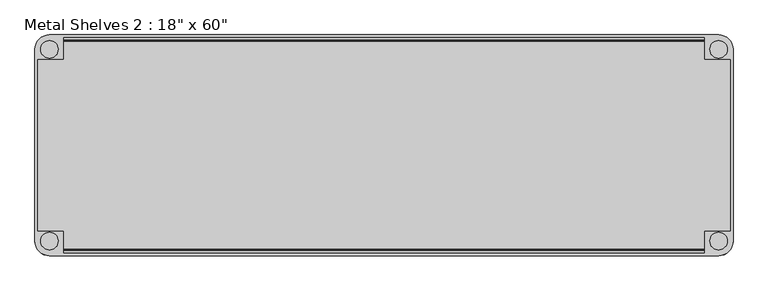
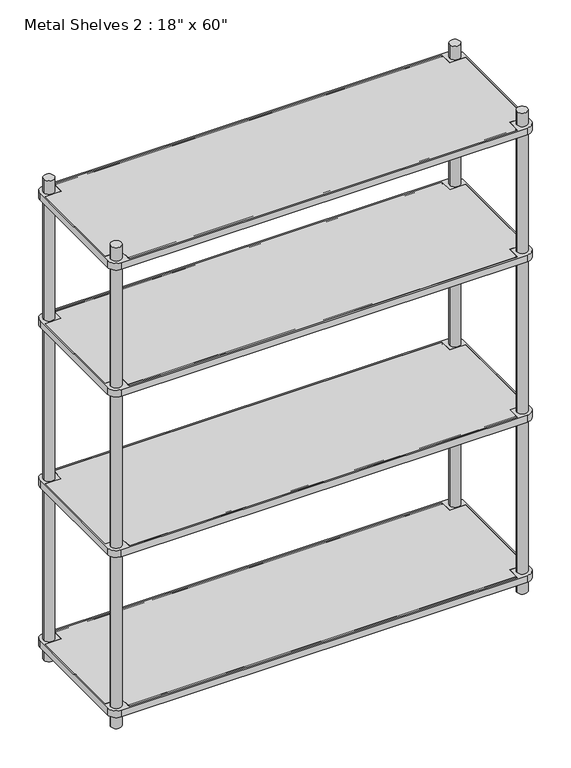
"""IFC4 building model written with IfcOpenShell, lengths in millimetres: furniture geometry."""

from ifc_helpers import new_model, si_unit, point, frame, frame_2d, origin, origin_with_axes, place, context, project, spatial, polyline, circle_curve, trimmed, segment, composite_curve, outline, extrude, source, transform, mapped, element, save


def furniture_a7e57f11(model_context):
    return source(origin(), model_context, "Body", "SweptSolid", [
        extrude(outline(polyline([(-698.5, 234.95), (698.5, 234.95), (698.5, 187.325), (755.65, 187.325), (755.65, -187.325), (698.5, -187.325), (698.5, -234.95), (-698.5, -234.95), (-698.5, -187.325), (-755.65, -187.325), (-755.65, 187.325), (-698.5, 187.325), (-698.5, 234.95)])), frame((0.0, 0.0, 50.8), z_axis=(0.0, 0.0, 1.0), x_axis=(1.0, 0.0, 0.0)), (0.0, 0.0, 1.0), 25.4),
        extrude(outline(polyline([(-698.5, 234.95), (698.5, 234.95), (698.5, 187.325), (755.65, 187.325), (755.65, -187.325), (698.5, -187.325), (698.5, -234.95), (-698.5, -234.95), (-698.5, -187.325), (-755.65, -187.325), (-755.65, 187.325), (-698.5, 187.325), (-698.5, 234.95)])), frame((0.0, 0.0, 660.4), z_axis=(0.0, 0.0, 1.0), x_axis=(1.0, 0.0, 0.0)), (0.0, 0.0, 1.0), 25.4),
        extrude(outline(polyline([(-698.5, 234.95), (698.5, 234.95), (698.5, 187.325), (755.65, 187.325), (755.65, -187.325), (698.5, -187.325), (698.5, -234.95), (-698.5, -234.95), (-698.5, -187.325), (-755.65, -187.325), (-755.65, 187.325), (-698.5, 187.325), (-698.5, 234.95)])), frame((0.0, 0.0, 1270.0), z_axis=(0.0, 0.0, 1.0), x_axis=(1.0, 0.0, 0.0)), (0.0, 0.0, 1.0), 25.4),
        extrude(outline(polyline([(-755.65, 187.325), (-698.5, 187.325), (-698.5, 234.95), (698.5, 234.95), (698.5, 187.325), (755.65, 187.325), (755.65, -187.325), (698.5, -187.325), (698.5, -234.95), (-698.5, -234.95), (-698.5, -187.325), (-755.65, -187.325), (-755.65, 187.325)])), frame((0.0, 0.0, 1752.6), z_axis=(0.0, 0.0, 1.0), x_axis=(1.0, 0.0, 0.0)), (0.0, 0.0, 1.0), 25.4),
        extrude(outline(composite_curve([segment(trimmed(circle_curve(frame_2d((730.25, -209.55)), 31.75), [point((762.0, -209.55))], [point((730.25, -241.3))], False, "CARTESIAN"), True, "CONTINUOUS"), segment(polyline([(730.25, -241.3), (-730.25, -241.3)]), True, "CONTINUOUS"), segment(trimmed(circle_curve(frame_2d((-730.25, -209.55)), 31.75), [point((-730.25, -241.3))], [point((-762.0, -209.55))], False, "CARTESIAN"), True, "CONTINUOUS"), segment(polyline([(-762.0, -209.55), (-762.0, 209.55)]), True, "CONTINUOUS"), segment(trimmed(circle_curve(frame_2d((-730.25, 209.55)), 31.75), [point((-762.0, 209.55))], [point((-730.25, 241.3))], False, "CARTESIAN"), True, "CONTINUOUS"), segment(polyline([(-730.25, 241.3), (730.25, 241.3)]), True, "CONTINUOUS"), segment(trimmed(circle_curve(frame_2d((730.25, 209.55)), 31.75), [point((730.25, 241.3))], [point((762.0, 209.55))], False, "CARTESIAN"), True, "CONTINUOUS"), segment(polyline([(762.0, 209.55), (762.0, -209.55)]), True, "CONTINUOUS")], self_intersect=False), holes=[polyline([(-698.5, -234.95), (698.5, -234.95), (698.5, -187.325), (755.65, -187.325), (755.65, 187.325), (698.5, 187.325), (698.5, 234.95), (-698.5, 234.95), (-698.5, 187.325), (-755.65, 187.325), (-755.65, -187.325), (-698.5, -187.325), (-698.5, -234.95)]), composite_curve([segment(trimmed(circle_curve(frame_2d((730.25, -209.55)), 19.05), [point((711.2, -209.55))], [point((749.3, -209.55))], True, "CARTESIAN"), True, "CONTINUOUS"), segment(trimmed(circle_curve(frame_2d((730.25, -209.55)), 19.05), [point((749.3, -209.55))], [point((711.2, -209.55))], True, "CARTESIAN"), True, "CONTINUOUS")], self_intersect=False), composite_curve([segment(trimmed(circle_curve(frame_2d((730.25, 209.55)), 19.05), [point((711.2, 209.55))], [point((749.3, 209.55))], True, "CARTESIAN"), True, "CONTINUOUS"), segment(trimmed(circle_curve(frame_2d((730.25, 209.55)), 19.05), [point((749.3, 209.55))], [point((711.2, 209.55))], True, "CARTESIAN"), True, "CONTINUOUS")], self_intersect=False), composite_curve([segment(trimmed(circle_curve(frame_2d((-730.25, 209.55)), 19.05), [point((-711.2, 209.55))], [point((-749.3, 209.55))], True, "CARTESIAN"), True, "CONTINUOUS"), segment(trimmed(circle_curve(frame_2d((-730.25, 209.55)), 19.05), [point((-749.3, 209.55))], [point((-711.2, 209.55))], True, "CARTESIAN"), True, "CONTINUOUS")], self_intersect=False), composite_curve([segment(trimmed(circle_curve(frame_2d((-730.25, -209.55)), 19.05), [point((-711.2, -209.55))], [point((-749.3, -209.55))], True, "CARTESIAN"), True, "CONTINUOUS"), segment(trimmed(circle_curve(frame_2d((-730.25, -209.55)), 19.05), [point((-749.3, -209.55))], [point((-711.2, -209.55))], True, "CARTESIAN"), True, "CONTINUOUS")], self_intersect=False)]), frame((0.0, 0.0, 660.4), z_axis=(0.0, 0.0, 1.0), x_axis=(1.0, 0.0, 0.0)), (0.0, 0.0, 1.0), 25.4),
        extrude(outline(composite_curve([segment(trimmed(circle_curve(frame_2d((-730.25, -209.55)), 31.75), [point((-730.25, -241.3))], [point((-762.0, -209.55))], False, "CARTESIAN"), True, "CONTINUOUS"), segment(polyline([(-762.0, -209.55), (-762.0, 209.55)]), True, "CONTINUOUS"), segment(trimmed(circle_curve(frame_2d((-730.25, 209.55)), 31.75), [point((-762.0, 209.55))], [point((-730.25, 241.3))], False, "CARTESIAN"), True, "CONTINUOUS"), segment(polyline([(-730.25, 241.3), (730.25, 241.3)]), True, "CONTINUOUS"), segment(trimmed(circle_curve(frame_2d((730.25, 209.55)), 31.75), [point((730.25, 241.3))], [point((762.0, 209.55))], False, "CARTESIAN"), True, "CONTINUOUS"), segment(polyline([(762.0, 209.55), (762.0, -209.55)]), True, "CONTINUOUS"), segment(trimmed(circle_curve(frame_2d((730.25, -209.55)), 31.75), [point((762.0, -209.55))], [point((730.25, -241.3))], False, "CARTESIAN"), True, "CONTINUOUS"), segment(polyline([(730.25, -241.3), (-730.25, -241.3)]), True, "CONTINUOUS")], self_intersect=False), holes=[composite_curve([segment(trimmed(circle_curve(frame_2d((-730.25, -209.55)), 19.05), [point((-711.2, -209.55))], [point((-749.3, -209.55))], True, "CARTESIAN"), True, "CONTINUOUS"), segment(trimmed(circle_curve(frame_2d((-730.25, -209.55)), 19.05), [point((-749.3, -209.55))], [point((-711.2, -209.55))], True, "CARTESIAN"), True, "CONTINUOUS")], self_intersect=False), composite_curve([segment(trimmed(circle_curve(frame_2d((-730.25, 209.55)), 19.05), [point((-711.2, 209.55))], [point((-749.3, 209.55))], True, "CARTESIAN"), True, "CONTINUOUS"), segment(trimmed(circle_curve(frame_2d((-730.25, 209.55)), 19.05), [point((-749.3, 209.55))], [point((-711.2, 209.55))], True, "CARTESIAN"), True, "CONTINUOUS")], self_intersect=False), composite_curve([segment(trimmed(circle_curve(frame_2d((730.25, -209.55)), 19.05), [point((711.2, -209.55))], [point((749.3, -209.55))], True, "CARTESIAN"), True, "CONTINUOUS"), segment(trimmed(circle_curve(frame_2d((730.25, -209.55)), 19.05), [point((749.3, -209.55))], [point((711.2, -209.55))], True, "CARTESIAN"), True, "CONTINUOUS")], self_intersect=False), composite_curve([segment(trimmed(circle_curve(frame_2d((730.25, 209.55)), 19.05), [point((711.2, 209.55))], [point((749.3, 209.55))], True, "CARTESIAN"), True, "CONTINUOUS"), segment(trimmed(circle_curve(frame_2d((730.25, 209.55)), 19.05), [point((749.3, 209.55))], [point((711.2, 209.55))], True, "CARTESIAN"), True, "CONTINUOUS")], self_intersect=False), polyline([(-698.5, -234.95), (698.5, -234.95), (698.5, -187.325), (755.65, -187.325), (755.65, 187.325), (698.5, 187.325), (698.5, 234.95), (-698.5, 234.95), (-698.5, 187.325), (-755.65, 187.325), (-755.65, -187.325), (-698.5, -187.325), (-698.5, -234.95)])]), frame((0.0, 0.0, 50.8), z_axis=(0.0, 0.0, 1.0), x_axis=(1.0, 0.0, 0.0)), (0.0, 0.0, 1.0), 25.4),
        extrude(outline(composite_curve([segment(trimmed(circle_curve(frame_2d((-730.25, 209.55)), 31.75), [point((-762.0, 209.55))], [point((-730.25, 241.3))], False, "CARTESIAN"), True, "CONTINUOUS"), segment(polyline([(-730.25, 241.3), (730.25, 241.3)]), True, "CONTINUOUS"), segment(trimmed(circle_curve(frame_2d((730.25, 209.55)), 31.75), [point((730.25, 241.3))], [point((762.0, 209.55))], False, "CARTESIAN"), True, "CONTINUOUS"), segment(polyline([(762.0, 209.55), (762.0, -209.55)]), True, "CONTINUOUS"), segment(trimmed(circle_curve(frame_2d((730.25, -209.55)), 31.75), [point((762.0, -209.55))], [point((730.25, -241.3))], False, "CARTESIAN"), True, "CONTINUOUS"), segment(polyline([(730.25, -241.3), (-730.25, -241.3)]), True, "CONTINUOUS"), segment(trimmed(circle_curve(frame_2d((-730.25, -209.55)), 31.75), [point((-730.25, -241.3))], [point((-762.0, -209.55))], False, "CARTESIAN"), True, "CONTINUOUS"), segment(polyline([(-762.0, -209.55), (-762.0, 209.55)]), True, "CONTINUOUS")], self_intersect=False), holes=[composite_curve([segment(trimmed(circle_curve(frame_2d((-730.25, 209.55)), 19.05), [point((-711.2, 209.55))], [point((-749.3, 209.55))], True, "CARTESIAN"), True, "CONTINUOUS"), segment(trimmed(circle_curve(frame_2d((-730.25, 209.55)), 19.05), [point((-749.3, 209.55))], [point((-711.2, 209.55))], True, "CARTESIAN"), True, "CONTINUOUS")], self_intersect=False), composite_curve([segment(trimmed(circle_curve(frame_2d((-730.25, -209.55)), 19.05), [point((-711.2, -209.55))], [point((-749.3, -209.55))], True, "CARTESIAN"), True, "CONTINUOUS"), segment(trimmed(circle_curve(frame_2d((-730.25, -209.55)), 19.05), [point((-749.3, -209.55))], [point((-711.2, -209.55))], True, "CARTESIAN"), True, "CONTINUOUS")], self_intersect=False), composite_curve([segment(trimmed(circle_curve(frame_2d((730.25, -209.55)), 19.05), [point((711.2, -209.55))], [point((749.3, -209.55))], True, "CARTESIAN"), True, "CONTINUOUS"), segment(trimmed(circle_curve(frame_2d((730.25, -209.55)), 19.05), [point((749.3, -209.55))], [point((711.2, -209.55))], True, "CARTESIAN"), True, "CONTINUOUS")], self_intersect=False), polyline([(-698.5, -234.95), (698.5, -234.95), (698.5, -187.325), (755.65, -187.325), (755.65, 187.325), (698.5, 187.325), (698.5, 234.95), (-698.5, 234.95), (-698.5, 187.325), (-755.65, 187.325), (-755.65, -187.325), (-698.5, -187.325), (-698.5, -234.95)]), composite_curve([segment(trimmed(circle_curve(frame_2d((730.25, 209.55)), 19.05), [point((711.2, 209.55))], [point((749.3, 209.55))], True, "CARTESIAN"), True, "CONTINUOUS"), segment(trimmed(circle_curve(frame_2d((730.25, 209.55)), 19.05), [point((749.3, 209.55))], [point((711.2, 209.55))], True, "CARTESIAN"), True, "CONTINUOUS")], self_intersect=False)]), frame((0.0, 0.0, 1270.0), z_axis=(0.0, 0.0, 1.0), x_axis=(1.0, 0.0, 0.0)), (0.0, 0.0, 1.0), 25.4),
        extrude(outline(composite_curve([segment(trimmed(circle_curve(frame_2d((-730.25, -209.55)), 31.75), [point((-730.25, -241.3))], [point((-762.0, -209.55))], False, "CARTESIAN"), True, "CONTINUOUS"), segment(polyline([(-762.0, -209.55), (-762.0, 209.55)]), True, "CONTINUOUS"), segment(trimmed(circle_curve(frame_2d((-730.25, 209.55)), 31.75), [point((-762.0, 209.55))], [point((-730.25, 241.3))], False, "CARTESIAN"), True, "CONTINUOUS"), segment(polyline([(-730.25, 241.3), (730.25, 241.3)]), True, "CONTINUOUS"), segment(trimmed(circle_curve(frame_2d((730.25, 209.55)), 31.75), [point((730.25, 241.3))], [point((762.0, 209.55))], False, "CARTESIAN"), True, "CONTINUOUS"), segment(polyline([(762.0, 209.55), (762.0, -209.55)]), True, "CONTINUOUS"), segment(trimmed(circle_curve(frame_2d((730.25, -209.55)), 31.75), [point((762.0, -209.55))], [point((730.25, -241.3))], False, "CARTESIAN"), True, "CONTINUOUS"), segment(polyline([(730.25, -241.3), (-730.25, -241.3)]), True, "CONTINUOUS")], self_intersect=False), holes=[composite_curve([segment(trimmed(circle_curve(frame_2d((730.25, 209.55)), 19.05), [point((711.2, 209.55))], [point((749.3, 209.55))], True, "CARTESIAN"), True, "CONTINUOUS"), segment(trimmed(circle_curve(frame_2d((730.25, 209.55)), 19.05), [point((749.3, 209.55))], [point((711.2, 209.55))], True, "CARTESIAN"), True, "CONTINUOUS")], self_intersect=False), composite_curve([segment(trimmed(circle_curve(frame_2d((730.25, -209.55)), 19.05), [point((711.2, -209.55))], [point((749.3, -209.55))], True, "CARTESIAN"), True, "CONTINUOUS"), segment(trimmed(circle_curve(frame_2d((730.25, -209.55)), 19.05), [point((749.3, -209.55))], [point((711.2, -209.55))], True, "CARTESIAN"), True, "CONTINUOUS")], self_intersect=False), composite_curve([segment(trimmed(circle_curve(frame_2d((-730.25, 209.55)), 19.05), [point((-711.2, 209.55))], [point((-749.3, 209.55))], True, "CARTESIAN"), True, "CONTINUOUS"), segment(trimmed(circle_curve(frame_2d((-730.25, 209.55)), 19.05), [point((-749.3, 209.55))], [point((-711.2, 209.55))], True, "CARTESIAN"), True, "CONTINUOUS")], self_intersect=False), polyline([(755.65, -187.325), (755.65, 187.325), (698.5, 187.325), (698.5, 234.95), (-698.5, 234.95), (-698.5, 187.325), (-755.65, 187.325), (-755.65, -187.325), (-698.5, -187.325), (-698.5, -234.95), (698.5, -234.95), (698.5, -187.325), (755.65, -187.325)]), composite_curve([segment(trimmed(circle_curve(frame_2d((-730.25, -209.55)), 19.05), [point((-711.2, -209.55))], [point((-749.3, -209.55))], True, "CARTESIAN"), True, "CONTINUOUS"), segment(trimmed(circle_curve(frame_2d((-730.25, -209.55)), 19.05), [point((-749.3, -209.55))], [point((-711.2, -209.55))], True, "CARTESIAN"), True, "CONTINUOUS")], self_intersect=False)]), frame((0.0, 0.0, 1752.6), z_axis=(0.0, 0.0, 1.0), x_axis=(1.0, 0.0, 0.0)), (0.0, 0.0, 1.0), 25.4),
        extrude(outline(composite_curve([segment(trimmed(circle_curve(frame_2d((228.6, 1776.4125)), 1.5875), [point((227.0125, 1776.4125))], [point((230.1875, 1776.4125))], False, "CARTESIAN"), True, "CONTINUOUS"), segment(trimmed(circle_curve(frame_2d((228.6, 1776.4125)), 1.5875), [point((230.1875, 1776.4125))], [point((227.0125, 1776.4125))], False, "CARTESIAN"), True, "CONTINUOUS")], self_intersect=False)), frame((-698.5, 0.0, 0.0), z_axis=(1.0, 0.0, 0.0), x_axis=(0.0, 1.0, 0.0)), (0.0, 0.0, 1.0), 1397.0),
        extrude(outline(composite_curve([segment(trimmed(circle_curve(frame_2d((-228.6, 1776.4125)), 1.5875), [point((-230.1875, 1776.4125))], [point((-227.0125, 1776.4125))], False, "CARTESIAN"), True, "CONTINUOUS"), segment(trimmed(circle_curve(frame_2d((-228.6, 1776.4125)), 1.5875), [point((-227.0125, 1776.4125))], [point((-230.1875, 1776.4125))], False, "CARTESIAN"), True, "CONTINUOUS")], self_intersect=False)), frame((-698.5, 0.0, 0.0), z_axis=(1.0, 0.0, 0.0), x_axis=(0.0, 1.0, 0.0)), (0.0, 0.0, 1.0), 1397.0),
        extrude(outline(composite_curve([segment(trimmed(circle_curve(frame_2d((228.6, 1293.8125)), 1.5875), [point((227.0125, 1293.8125))], [point((230.1875, 1293.8125))], False, "CARTESIAN"), True, "CONTINUOUS"), segment(trimmed(circle_curve(frame_2d((228.6, 1293.8125)), 1.5875), [point((230.1875, 1293.8125))], [point((227.0125, 1293.8125))], False, "CARTESIAN"), True, "CONTINUOUS")], self_intersect=False)), frame((-698.5, 0.0, 0.0), z_axis=(1.0, 0.0, 0.0), x_axis=(0.0, 1.0, 0.0)), (0.0, 0.0, 1.0), 1397.0),
        extrude(outline(composite_curve([segment(trimmed(circle_curve(frame_2d((-228.6, 1293.8125)), 1.5875), [point((-230.1875, 1293.8125))], [point((-227.0125, 1293.8125))], False, "CARTESIAN"), True, "CONTINUOUS"), segment(trimmed(circle_curve(frame_2d((-228.6, 1293.8125)), 1.5875), [point((-227.0125, 1293.8125))], [point((-230.1875, 1293.8125))], False, "CARTESIAN"), True, "CONTINUOUS")], self_intersect=False)), frame((-698.5, 0.0, 0.0), z_axis=(1.0, 0.0, 0.0), x_axis=(0.0, 1.0, 0.0)), (0.0, 0.0, 1.0), 1397.0),
        extrude(outline(composite_curve([segment(trimmed(circle_curve(frame_2d((228.6, 684.2125)), 1.5875), [point((227.0125, 684.2125))], [point((230.1875, 684.2125))], False, "CARTESIAN"), True, "CONTINUOUS"), segment(trimmed(circle_curve(frame_2d((228.6, 684.2125)), 1.5875), [point((230.1875, 684.2125))], [point((227.0125, 684.2125))], False, "CARTESIAN"), True, "CONTINUOUS")], self_intersect=False)), frame((-698.5, 0.0, 0.0), z_axis=(1.0, 0.0, 0.0), x_axis=(0.0, 1.0, 0.0)), (0.0, 0.0, 1.0), 1397.0),
        extrude(outline(composite_curve([segment(trimmed(circle_curve(frame_2d((-228.6, 684.2125)), 1.5875), [point((-230.1875, 684.2125))], [point((-227.0125, 684.2125))], False, "CARTESIAN"), True, "CONTINUOUS"), segment(trimmed(circle_curve(frame_2d((-228.6, 684.2125)), 1.5875), [point((-227.0125, 684.2125))], [point((-230.1875, 684.2125))], False, "CARTESIAN"), True, "CONTINUOUS")], self_intersect=False)), frame((-698.5, 0.0, 0.0), z_axis=(1.0, 0.0, 0.0), x_axis=(0.0, 1.0, 0.0)), (0.0, 0.0, 1.0), 1397.0),
        extrude(outline(composite_curve([segment(trimmed(circle_curve(frame_2d((228.6, 74.6125)), 1.5875), [point((227.0125, 74.6125))], [point((230.1875, 74.6125))], False, "CARTESIAN"), True, "CONTINUOUS"), segment(trimmed(circle_curve(frame_2d((228.6, 74.6125)), 1.5875), [point((230.1875, 74.6125))], [point((227.0125, 74.6125))], False, "CARTESIAN"), True, "CONTINUOUS")], self_intersect=False)), frame((-698.5, 0.0, 0.0), z_axis=(1.0, 0.0, 0.0), x_axis=(0.0, 1.0, 0.0)), (0.0, 0.0, 1.0), 1397.0),
        extrude(outline(composite_curve([segment(trimmed(circle_curve(frame_2d((-228.6, 74.6125)), 1.5875), [point((-230.1875, 74.6125))], [point((-227.0125, 74.6125))], False, "CARTESIAN"), True, "CONTINUOUS"), segment(trimmed(circle_curve(frame_2d((-228.6, 74.6125)), 1.5875), [point((-227.0125, 74.6125))], [point((-230.1875, 74.6125))], False, "CARTESIAN"), True, "CONTINUOUS")], self_intersect=False)), frame((-698.5, 0.0, 0.0), z_axis=(1.0, 0.0, 0.0), x_axis=(0.0, 1.0, 0.0)), (0.0, 0.0, 1.0), 1397.0),
        extrude(outline(composite_curve([segment(trimmed(circle_curve(frame_2d((730.25, -209.55)), 19.05), [point((749.3, -209.55))], [point((711.2, -209.55))], False, "CARTESIAN"), True, "CONTINUOUS"), segment(trimmed(circle_curve(frame_2d((730.25, -209.55)), 19.05), [point((711.2, -209.55))], [point((749.3, -209.55))], False, "CARTESIAN"), True, "CONTINUOUS")], self_intersect=False)), origin_with_axes(), (0.0, 0.0, 1.0), 1828.8),
        extrude(outline(composite_curve([segment(trimmed(circle_curve(frame_2d((-730.25, -209.55)), 19.05), [point((-749.3, -209.55))], [point((-711.2, -209.55))], False, "CARTESIAN"), True, "CONTINUOUS"), segment(trimmed(circle_curve(frame_2d((-730.25, -209.55)), 19.05), [point((-711.2, -209.55))], [point((-749.3, -209.55))], False, "CARTESIAN"), True, "CONTINUOUS")], self_intersect=False)), origin_with_axes(), (0.0, 0.0, 1.0), 1828.8),
        extrude(outline(composite_curve([segment(trimmed(circle_curve(frame_2d((730.25, 209.55)), 19.05), [point((749.3, 209.55))], [point((711.2, 209.55))], False, "CARTESIAN"), True, "CONTINUOUS"), segment(trimmed(circle_curve(frame_2d((730.25, 209.55)), 19.05), [point((711.2, 209.55))], [point((749.3, 209.55))], False, "CARTESIAN"), True, "CONTINUOUS")], self_intersect=False)), origin_with_axes(), (0.0, 0.0, 1.0), 1828.8),
        extrude(outline(composite_curve([segment(trimmed(circle_curve(frame_2d((-730.25, 209.55)), 19.05), [point((-749.3, 209.55))], [point((-711.2, 209.55))], False, "CARTESIAN"), True, "CONTINUOUS"), segment(trimmed(circle_curve(frame_2d((-730.25, 209.55)), 19.05), [point((-711.2, 209.55))], [point((-749.3, 209.55))], False, "CARTESIAN"), True, "CONTINUOUS")], self_intersect=False)), origin_with_axes(), (0.0, 0.0, 1.0), 1828.8),
    ])


if __name__ == "__main__":
    model = new_model("IFC4")
    model_context = context("Model", 3, world=origin())
    ifc_project = project(units=[si_unit("LENGTHUNIT", "METRE", prefix="MILLI")], contexts=[model_context])
    site = spatial("IfcSite", under=ifc_project)
    building = spatial("IfcBuilding", under=site)
    placement = place(None, origin())
    furniture_shape = furniture_a7e57f11(model_context)
    element("IfcFurniture", 1, ObjectType="Metal Shelves 2 : 18\" x 60\"", at=placement, inside=building, context=model_context, shape_type="MappedRepresentation", body=[
        mapped(furniture_shape, transform((0.0, 0.0, 0.0), x_axis=(1.0, 0.0, 0.0), y_axis=(0.0, 1.0, 0.0), z_axis=(0.0, 0.0, 1.0))),
    ])
    save(model, "model.ifc")
